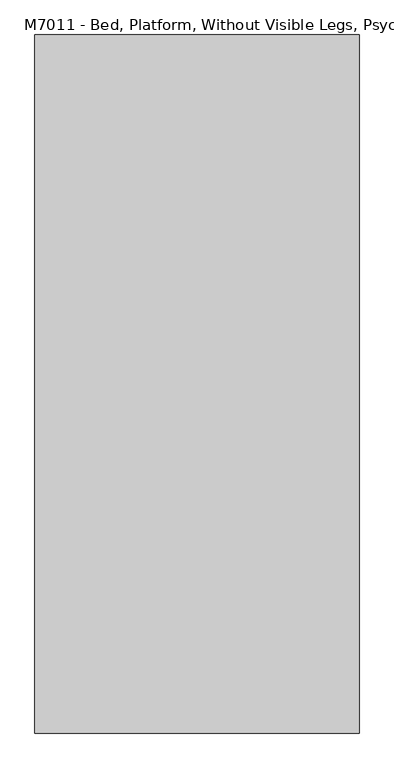
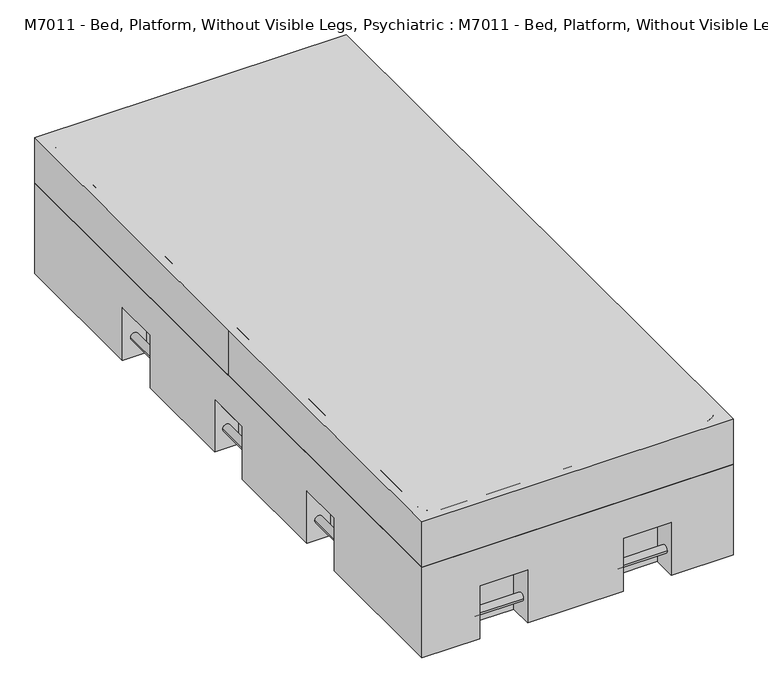
"""IFC4 building model written with IfcOpenShell, lengths in millimetres: proxy geometry, M7011 - Bed, Platform, Without Visible Legs, Psychiatric : M7011 - Bed, Platform, Without Visible Legs, Psychiatric."""

from ifc_helpers import new_model, si_unit, point, frame, frame_2d, origin, place, context, project, spatial, polyline, circle_curve, trimmed, segment, composite_curve, outline, extrude, faceted_brep, source, transform, mapped, element, save


def m7011_bed_platform_without_visible_legs_psychiatric_m7011_4b169359(model_context):
    return source(origin(), model_context, "Body", "SolidModel", [
        extrude(outline(composite_curve([segment(trimmed(circle_curve(frame_2d((68.0585065, -457.2)), 12.7), [point((68.0585065, -444.5))], [point((68.0585065, -469.9))], False, "CARTESIAN"), True, "CONTINUOUS"), segment(trimmed(circle_curve(frame_2d((68.0585065, -457.2)), 12.7), [point((68.0585065, -469.9))], [point((68.0585065, -444.5))], False, "CARTESIAN"), True, "CONTINUOUS")], self_intersect=False)), frame((0.0, 431.8, 0.0), z_axis=(0.0, 1.0, 0.0), x_axis=(0.0, 0.0, 1.0)), (0.0, 0.0, 1.0), 152.4),
        extrude(outline(composite_curve([segment(trimmed(circle_curve(frame_2d((68.0585065, -457.2)), 12.7), [point((68.0585065, -444.5))], [point((68.0585065, -469.9))], False, "CARTESIAN"), True, "CONTINUOUS"), segment(trimmed(circle_curve(frame_2d((68.0585065, -457.2)), 12.7), [point((68.0585065, -469.9))], [point((68.0585065, -444.5))], False, "CARTESIAN"), True, "CONTINUOUS")], self_intersect=False)), frame((0.0, -584.2, 0.0), z_axis=(0.0, 1.0, 0.0), x_axis=(0.0, 0.0, 1.0)), (0.0, 0.0, 1.0), 152.4),
        extrude(outline(composite_curve([segment(trimmed(circle_curve(frame_2d((68.0585065, -457.2)), 12.7), [point((68.0585065, -444.5))], [point((68.0585065, -469.9))], False, "CARTESIAN"), True, "CONTINUOUS"), segment(trimmed(circle_curve(frame_2d((68.0585065, -457.2)), 12.7), [point((68.0585065, -469.9))], [point((68.0585065, -444.5))], False, "CARTESIAN"), True, "CONTINUOUS")], self_intersect=False)), frame((0.0, -76.2, 0.0), z_axis=(0.0, 1.0, 0.0), x_axis=(0.0, 0.0, 1.0)), (0.0, 0.0, 1.0), 152.4),
        extrude(outline(composite_curve([segment(trimmed(circle_curve(frame_2d((68.0585065, 457.2)), 12.7), [point((68.0585065, 444.5))], [point((68.0585065, 469.9))], False, "CARTESIAN"), True, "CONTINUOUS"), segment(trimmed(circle_curve(frame_2d((68.0585065, 457.2)), 12.7), [point((68.0585065, 469.9))], [point((68.0585065, 444.5))], False, "CARTESIAN"), True, "CONTINUOUS")], self_intersect=False)), frame((0.0, 431.8, 0.0), z_axis=(0.0, 1.0, 0.0), x_axis=(0.0, 0.0, 1.0)), (0.0, 0.0, 1.0), 152.4),
        extrude(outline(composite_curve([segment(trimmed(circle_curve(frame_2d((68.0585065, 457.2)), 12.7), [point((68.0585065, 444.5))], [point((68.0585065, 469.9))], False, "CARTESIAN"), True, "CONTINUOUS"), segment(trimmed(circle_curve(frame_2d((68.0585065, 457.2)), 12.7), [point((68.0585065, 469.9))], [point((68.0585065, 444.5))], False, "CARTESIAN"), True, "CONTINUOUS")], self_intersect=False)), frame((0.0, -584.2, 0.0), z_axis=(0.0, 1.0, 0.0), x_axis=(0.0, 0.0, 1.0)), (0.0, 0.0, 1.0), 152.4),
        extrude(outline(composite_curve([segment(trimmed(circle_curve(frame_2d((68.0585065, 457.2)), 12.7), [point((68.0585065, 444.5))], [point((68.0585065, 469.9))], False, "CARTESIAN"), True, "CONTINUOUS"), segment(trimmed(circle_curve(frame_2d((68.0585065, 457.2)), 12.7), [point((68.0585065, 469.9))], [point((68.0585065, 444.5))], False, "CARTESIAN"), True, "CONTINUOUS")], self_intersect=False)), frame((0.0, -76.2, 0.0), z_axis=(0.0, 1.0, 0.0), x_axis=(0.0, 0.0, 1.0)), (0.0, 0.0, 1.0), 152.4),
        extrude(outline(composite_curve([segment(trimmed(circle_curve(frame_2d((-1032.01787, 68.0585065)), 12.7), [point((-1044.71787, 68.0585065))], [point((-1019.31787, 68.0585065))], False, "CARTESIAN"), True, "CONTINUOUS"), segment(trimmed(circle_curve(frame_2d((-1032.01787, 68.0585065)), 12.7), [point((-1019.31787, 68.0585065))], [point((-1044.71787, 68.0585065))], False, "CARTESIAN"), True, "CONTINUOUS")], self_intersect=False)), frame((-311.15, 0.0, 0.0), z_axis=(1.0, 0.0, 0.0), x_axis=(0.0, 1.0, 0.0)), (0.0, 0.0, 1.0), 152.4),
        extrude(outline(composite_curve([segment(trimmed(circle_curve(frame_2d((-1032.01787, 68.0585065)), 12.7), [point((-1044.71787, 68.0585065))], [point((-1019.31787, 68.0585065))], False, "CARTESIAN"), True, "CONTINUOUS"), segment(trimmed(circle_curve(frame_2d((-1032.01787, 68.0585065)), 12.7), [point((-1019.31787, 68.0585065))], [point((-1044.71787, 68.0585065))], False, "CARTESIAN"), True, "CONTINUOUS")], self_intersect=False)), frame((146.05, 0.0, 0.0), z_axis=(1.0, 0.0, 0.0), x_axis=(0.0, 1.0, 0.0)), (0.0, 0.0, 1.0), 152.4),
        extrude(outline(composite_curve([segment(trimmed(circle_curve(frame_2d((1032.01787, 68.0585065)), 12.7), [point((1044.71787, 68.0585065))], [point((1019.31787, 68.0585065))], False, "CARTESIAN"), True, "CONTINUOUS"), segment(trimmed(circle_curve(frame_2d((1032.01787, 68.0585065)), 12.7), [point((1019.31787, 68.0585065))], [point((1044.71787, 68.0585065))], False, "CARTESIAN"), True, "CONTINUOUS")], self_intersect=False)), frame((-311.15, 0.0, 0.0), z_axis=(1.0, 0.0, 0.0), x_axis=(0.0, 1.0, 0.0)), (0.0, 0.0, 1.0), 152.4),
        extrude(outline(composite_curve([segment(trimmed(circle_curve(frame_2d((1032.01787, 68.0585065)), 12.7), [point((1044.71787, 68.0585065))], [point((1019.31787, 68.0585065))], False, "CARTESIAN"), True, "CONTINUOUS"), segment(trimmed(circle_curve(frame_2d((1032.01787, 68.0585065)), 12.7), [point((1019.31787, 68.0585065))], [point((1044.71787, 68.0585065))], False, "CARTESIAN"), True, "CONTINUOUS")], self_intersect=False)), frame((146.05, 0.0, 0.0), z_axis=(1.0, 0.0, 0.0), x_axis=(0.0, 1.0, 0.0)), (0.0, 0.0, 1.0), 152.4),
        faceted_brep([(298.45, -1066.8, 177.8), (298.45, -990.6, 177.8), (298.45, -990.6, 0.0), (298.45, -1066.8, 0.0), (146.05, -990.6, 0.0), (146.05, -990.6, 177.8), (146.05, -1066.8, 177.8), (146.05, -1066.8, 0.0), (-158.75, -1066.8, 177.8), (-158.75, -990.6, 177.8), (-158.75, -990.6, 0.0), (-158.75, -1066.8, 0.0), (-311.15, -990.6, 0.0), (-311.15, -990.6, 177.8), (-311.15, -1066.8, 177.8), (-311.15, -1066.8, 0.0), (298.45, 990.6, 0.0), (298.45, 990.6, 177.8), (298.45, 1066.8, 177.8), (298.45, 1066.8, 0.0), (146.05, 1066.8, 177.8), (146.05, 990.6, 177.8), (146.05, 990.6, 0.0), (146.05, 1066.8, 0.0), (-158.75, 990.6, 0.0), (-158.75, 990.6, 177.8), (-158.75, 1066.8, 177.8), (-158.75, 1066.8, 0.0), (-311.15, 1066.8, 177.8), (-311.15, 990.6, 177.8), (-311.15, 990.6, 0.0), (-311.15, 1066.8, 0.0), (495.3, 76.2, 177.8), (419.1, 76.2, 177.8), (419.1, 76.2, 0.0), (495.3, 76.2, 0.0), (419.1, -76.2, 0.0), (419.1, -76.2, 177.8), (495.3, -76.2, 177.8), (495.3, -76.2, 0.0), (495.3, -431.8, 177.8), (419.1, -431.8, 177.8), (419.1, -431.8, 0.0), (495.3, -431.8, 0.0), (419.1, -584.2, 0.0), (419.1, -584.2, 177.8), (495.3, -584.2, 177.8), (495.3, -584.2, 0.0), (419.1, 431.8, 0.0), (419.1, 431.8, 177.8), (495.3, 431.8, 177.8), (495.3, 431.8, 0.0), (495.3, 584.2, 177.8), (419.1, 584.2, 177.8), (419.1, 584.2, 0.0), (495.3, 584.2, 0.0), (-419.1, 76.2, 0.0), (-419.1, 76.2, 177.8), (-495.3, 76.2, 177.8), (-495.3, 76.2, 0.0), (-495.3, -76.2, 177.8), (-419.1, -76.2, 177.8), (-419.1, -76.2, 0.0), (-495.3, -76.2, 0.0), (-419.1, -431.8, 0.0), (-419.1, -431.8, 177.8), (-495.3, -431.8, 177.8), (-495.3, -431.8, 0.0), (-495.3, -584.2, 177.8), (-419.1, -584.2, 177.8), (-419.1, -584.2, 0.0), (-495.3, -584.2, 0.0), (-495.3, 431.8, 177.8), (-419.1, 431.8, 177.8), (-419.1, 431.8, 0.0), (-495.3, 431.8, 0.0), (-419.1, 584.2, 0.0), (-419.1, 584.2, 177.8), (-495.3, 584.2, 177.8), (-495.3, 584.2, 0.0), (495.3, 1066.8, 304.8), (-495.3, 1066.8, 304.8), (-495.3, -1066.8, 304.8), (495.3, -1066.8, 304.8), (495.3, -1066.8, 0.0), (-495.3, -1066.8, 0.0), (-495.3, 1066.8, 0.0), (495.3, 1066.8, 0.0)], [[[0, 1, 2, 3]], [[4, 5, 6, 7]], [[2, 1, 5, 4]], [[1, 0, 6, 5]], [[8, 9, 10, 11]], [[12, 13, 14, 15]], [[10, 9, 13, 12]], [[9, 8, 14, 13]], [[16, 17, 18, 19]], [[20, 21, 22, 23]], [[18, 17, 21, 20]], [[17, 16, 22, 21]], [[24, 25, 26, 27]], [[28, 29, 30, 31]], [[26, 25, 29, 28]], [[25, 24, 30, 29]], [[32, 33, 34, 35]], [[36, 37, 38, 39]], [[34, 33, 37, 36]], [[33, 32, 38, 37]], [[40, 41, 42, 43]], [[44, 45, 46, 47]], [[42, 41, 45, 44]], [[41, 40, 46, 45]], [[48, 49, 50, 51]], [[52, 53, 54, 55]], [[49, 48, 54, 53]], [[50, 49, 53, 52]], [[56, 57, 58, 59]], [[60, 61, 62, 63]], [[57, 56, 62, 61]], [[58, 57, 61, 60]], [[64, 65, 66, 67]], [[68, 69, 70, 71]], [[65, 64, 70, 69]], [[66, 65, 69, 68]], [[72, 73, 74, 75]], [[76, 77, 78, 79]], [[74, 73, 77, 76]], [[73, 72, 78, 77]], [[80, 81, 82, 83]], [[84, 3, 2, 4, 7, 11, 10, 12, 15, 85, 71, 70, 64, 67, 63, 62, 56, 59, 75, 74, 76, 79, 86, 31, 30, 24, 27, 23, 22, 16, 19, 87, 55, 54, 48, 51, 35, 34, 36, 39, 43, 42, 44, 47]], [[81, 80, 87, 19, 18, 20, 23, 27, 26, 28, 31, 86]], [[82, 81, 86, 79, 78, 72, 75, 59, 58, 60, 63, 67, 66, 68, 71, 85]], [[83, 82, 85, 15, 14, 8, 11, 7, 6, 0, 3, 84]], [[80, 83, 84, 47, 46, 40, 43, 39, 38, 32, 35, 51, 50, 52, 55, 87]]]),
        faceted_brep([(-495.3, 1066.8, 457.2), (-495.3, 0.0, 457.2), (-495.3, -1066.8, 457.2), (495.3, -1066.8, 457.2), (495.3, 1066.8, 457.2), (495.3, -1066.8, 0.0), (298.45, -1066.8, 0.0), (298.45, -990.6, 0.0), (146.05, -990.6, 0.0), (146.05, -1066.8, 0.0), (-158.75, -1066.8, 0.0), (-158.75, -990.6, 0.0), (-311.15, -990.6, 0.0), (-311.15, -1066.8, 0.0), (-495.3, -1066.8, 0.0), (-495.3, -584.2, 0.0), (-419.1, -584.2, 0.0), (-419.1, -431.8, 0.0), (-495.3, -431.8, 0.0), (-495.3, -76.2, 0.0), (-419.1, -76.2, 0.0), (-419.1, 76.2, 0.0), (-495.3, 76.2, 0.0), (-495.3, 431.8, 0.0), (-419.1, 431.8, 0.0), (-419.1, 584.2, 0.0), (-495.3, 584.2, 0.0), (-495.3, 1066.8, 0.0), (-311.15, 1066.8, 0.0), (-311.15, 990.6, 0.0), (-158.75, 990.6, 0.0), (-158.75, 1066.8, 0.0), (146.05, 1066.8, 0.0), (146.05, 990.6, 0.0), (298.45, 990.6, 0.0), (298.45, 1066.8, 0.0), (495.3, 1066.8, 0.0), (495.3, 584.2, 0.0), (419.1, 584.2, 0.0), (419.1, 431.8, 0.0), (495.3, 431.8, 0.0), (495.3, 76.2, 0.0), (419.1, 76.2, 0.0), (419.1, -76.2, 0.0), (495.3, -76.2, 0.0), (495.3, -431.8, 0.0), (419.1, -431.8, 0.0), (419.1, -584.2, 0.0), (495.3, -584.2, 0.0), (-495.3, 584.2, 177.8), (-495.3, 431.8, 177.8), (-495.3, 76.2, 177.8), (-495.3, 0.0, 177.8), (-495.3, -76.2, 177.8), (-495.3, -431.8, 177.8), (-495.3, -584.2, 177.8), (-311.15, -1066.8, 177.8), (-158.75, -1066.8, 177.8), (146.05, -1066.8, 177.8), (298.45, -1066.8, 177.8), (495.3, -584.2, 177.8), (495.3, -431.8, 177.8), (495.3, -76.2, 177.8), (495.3, 76.2, 177.8), (495.3, 431.8, 177.8), (495.3, 584.2, 177.8), (298.45, 1066.8, 177.8), (146.05, 1066.8, 177.8), (-158.75, 1066.8, 177.8), (-311.15, 1066.8, 177.8), (298.45, -990.6, 177.8), (146.05, -990.6, 177.8), (-158.75, -990.6, 177.8), (-311.15, -990.6, 177.8), (298.45, 990.6, 177.8), (146.05, 990.6, 177.8), (-158.75, 990.6, 177.8), (-311.15, 990.6, 177.8), (419.1, 76.2, 177.8), (419.1, -76.2, 177.8), (419.1, -431.8, 177.8), (419.1, -584.2, 177.8), (419.1, 431.8, 177.8), (419.1, 584.2, 177.8), (-419.1, 76.2, 177.8), (-419.1, -76.2, 177.8), (-419.1, -431.8, 177.8), (-419.1, -584.2, 177.8), (-419.1, 431.8, 177.8), (-419.1, 584.2, 177.8)], [[[0, 1, 2, 3, 4]], [[5, 6, 7, 8, 9, 10, 11, 12, 13, 14, 15, 16, 17, 18, 19, 20, 21, 22, 23, 24, 25, 26, 27, 28, 29, 30, 31, 32, 33, 34, 35, 36, 37, 38, 39, 40, 41, 42, 43, 44, 45, 46, 47, 48]], [[1, 0, 27, 26, 49, 50, 23, 22, 51, 52]], [[2, 1, 52, 53, 19, 18, 54, 55, 15, 14]], [[3, 2, 14, 13, 56, 57, 10, 9, 58, 59, 6, 5]], [[4, 3, 5, 48, 60, 61, 45, 44, 62, 63, 41, 40, 64, 65, 37, 36]], [[0, 4, 36, 35, 66, 67, 32, 31, 68, 69, 28, 27]], [[59, 70, 7, 6]], [[8, 71, 58, 9]], [[7, 70, 71, 8]], [[70, 59, 58, 71]], [[57, 72, 11, 10]], [[12, 73, 56, 13]], [[11, 72, 73, 12]], [[72, 57, 56, 73]], [[34, 74, 66, 35]], [[67, 75, 33, 32]], [[66, 74, 75, 67]], [[74, 34, 33, 75]], [[30, 76, 68, 31]], [[69, 77, 29, 28]], [[68, 76, 77, 69]], [[76, 30, 29, 77]], [[63, 78, 42, 41]], [[43, 79, 62, 44]], [[42, 78, 79, 43]], [[78, 63, 62, 79]], [[61, 80, 46, 45]], [[47, 81, 60, 48]], [[46, 80, 81, 47]], [[80, 61, 60, 81]], [[39, 82, 64, 40]], [[65, 83, 38, 37]], [[82, 39, 38, 83]], [[64, 82, 83, 65]], [[21, 84, 51, 22]], [[53, 85, 20, 19]], [[84, 21, 20, 85]], [[51, 84, 85, 53, 52]], [[17, 86, 54, 18]], [[55, 87, 16, 15]], [[86, 17, 16, 87]], [[54, 86, 87, 55]], [[50, 88, 24, 23]], [[25, 89, 49, 26]], [[24, 88, 89, 25]], [[88, 50, 49, 89]]]),
        extrude(outline(composite_curve([segment(trimmed(circle_curve(frame_2d((419.1, 990.6)), 50.8), [point((419.1, 1041.4))], [point((469.9, 990.6))], False, "CARTESIAN"), True, "CONTINUOUS"), segment(polyline([(469.9, 990.6), (469.9, -990.6)]), True, "CONTINUOUS"), segment(trimmed(circle_curve(frame_2d((419.1, -990.6)), 50.8), [point((469.9, -990.6))], [point((419.1, -1041.4))], False, "CARTESIAN"), True, "CONTINUOUS"), segment(polyline([(419.1, -1041.4), (-419.1, -1041.4)]), True, "CONTINUOUS"), segment(trimmed(circle_curve(frame_2d((-419.1, -990.6)), 50.8), [point((-419.1, -1041.4))], [point((-469.9, -990.6))], False, "CARTESIAN"), True, "CONTINUOUS"), segment(polyline([(-469.9, -990.6), (-469.9, 990.6)]), True, "CONTINUOUS"), segment(trimmed(circle_curve(frame_2d((-419.1, 990.6)), 50.8), [point((-469.9, 990.6))], [point((-419.1, 1041.4))], False, "CARTESIAN"), True, "CONTINUOUS"), segment(polyline([(-419.1, 1041.4), (419.1, 1041.4)]), True, "CONTINUOUS")], self_intersect=False)), frame((0.0, 0.0, 304.8), z_axis=(0.0, 0.0, 1.0), x_axis=(1.0, 0.0, 0.0)), (0.0, 0.0, 1.0), 152.4),
    ])


if __name__ == "__main__":
    model = new_model("IFC4")
    model_context = context("Model", 3, world=origin())
    ifc_project = project(units=[si_unit("LENGTHUNIT", "METRE", prefix="MILLI")], contexts=[model_context])
    site = spatial("IfcSite", under=ifc_project)
    building = spatial("IfcBuilding", under=site)
    placement = place(None, origin())
    m7011_bed_platform_without_visible_legs_psychiatric_m7011_shape = m7011_bed_platform_without_visible_legs_psychiatric_m7011_4b169359(model_context)
    element("IfcBuildingElementProxy", 1, Name="M7011 - Bed, Platform, Without Visible Legs, Psychiatric : M7011 - Bed, Platform, Without Visible Legs, Psychiatric", ObjectType="M7011 - Bed, Platform, Without Visible Legs, Psychiatric : M7011 - Bed, Platform, Without Visible Legs, Psychiatric", at=placement, inside=building, context=model_context, shape_type="MappedRepresentation", body=[
        mapped(m7011_bed_platform_without_visible_legs_psychiatric_m7011_shape, transform((0.0, 0.0, 0.0), x_axis=(1.0, 0.0, 0.0), y_axis=(0.0, 1.0, 0.0), z_axis=(0.0, 0.0, 1.0))),
    ])
    save(model, "model.ifc")
